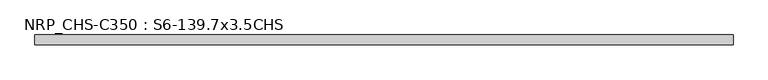
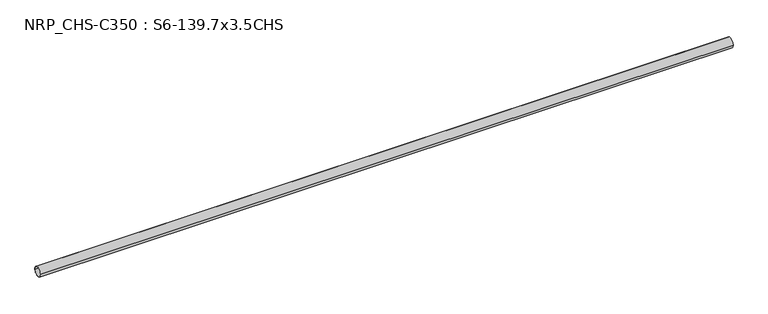
"""IFC4 building model written with IfcOpenShell, lengths in millimetres: beam geometry, NRP_CHS-C350 : S6-139.7x3.5CHS."""

from ifc_helpers import new_model, si_unit, point, frame, origin, origin_2d, place, context, project, spatial, circle_curve, trimmed, segment, composite_curve, outline, extrude, source, transform, mapped, element, save


def nrp_chs_c350_s6_139_7x3_5chs_ed166014(model_context):
    return source(origin(), model_context, "Body", "SweptSolid", [
        extrude(outline(composite_curve([segment(trimmed(circle_curve(origin_2d(), 69.85), [point((-69.85, 0.0))], [point((69.85, 0.0))], False, "CARTESIAN"), True, "CONTINUOUS"), segment(trimmed(circle_curve(origin_2d(), 69.85), [point((69.85, 0.0))], [point((-69.85, 0.0))], False, "CARTESIAN"), True, "CONTINUOUS")], self_intersect=False), holes=[composite_curve([segment(trimmed(circle_curve(origin_2d(), 66.35), [point((66.35, 0.0))], [point((-66.35, 0.0))], True, "CARTESIAN"), True, "CONTINUOUS"), segment(trimmed(circle_curve(origin_2d(), 66.35), [point((-66.35, 0.0))], [point((66.35, 0.0))], True, "CARTESIAN"), True, "CONTINUOUS")], self_intersect=False)]), frame((-5037.2, 0.0, 0.0), z_axis=(1.0, 0.0, 0.0), x_axis=(0.0, 1.0, 0.0)), (0.0, 0.0, 1.0), 9930.7),
    ])


if __name__ == "__main__":
    model = new_model("IFC4")
    model_context = context("Model", 3, world=origin())
    ifc_project = project(units=[si_unit("LENGTHUNIT", "METRE", prefix="MILLI")], contexts=[model_context])
    site = spatial("IfcSite", under=ifc_project)
    building = spatial("IfcBuilding", under=site)
    placement = place(None, origin())
    nrp_chs_c350_s6_139_7x3_5chs_shape = nrp_chs_c350_s6_139_7x3_5chs_ed166014(model_context)
    element("IfcBeam", 1, ObjectType="NRP_CHS-C350 : S6-139.7x3.5CHS", at=placement, inside=building, context=model_context, shape_type="MappedRepresentation", body=[
        mapped(nrp_chs_c350_s6_139_7x3_5chs_shape, transform((0.0, 0.0, 0.0), x_axis=(1.0, 0.0, 0.0), y_axis=(0.0, 1.0, 0.0), z_axis=(0.0, 0.0, 1.0))),
    ])
    save(model, "model.ifc")
